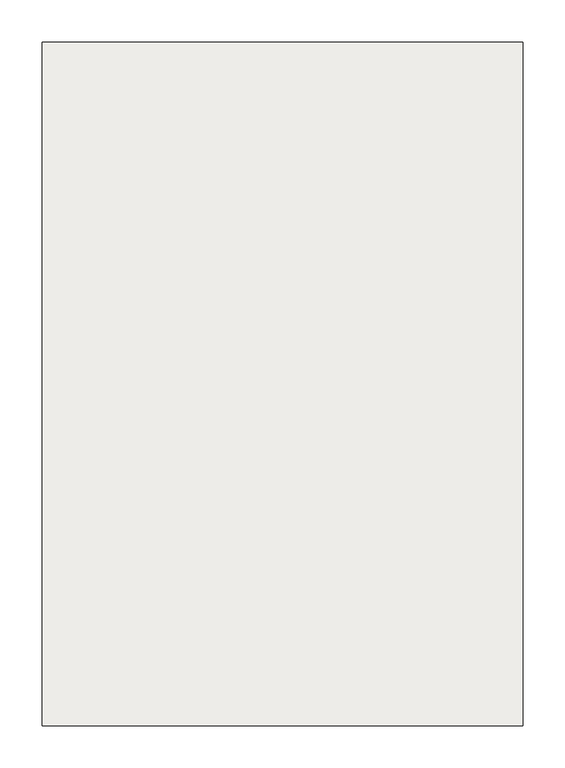
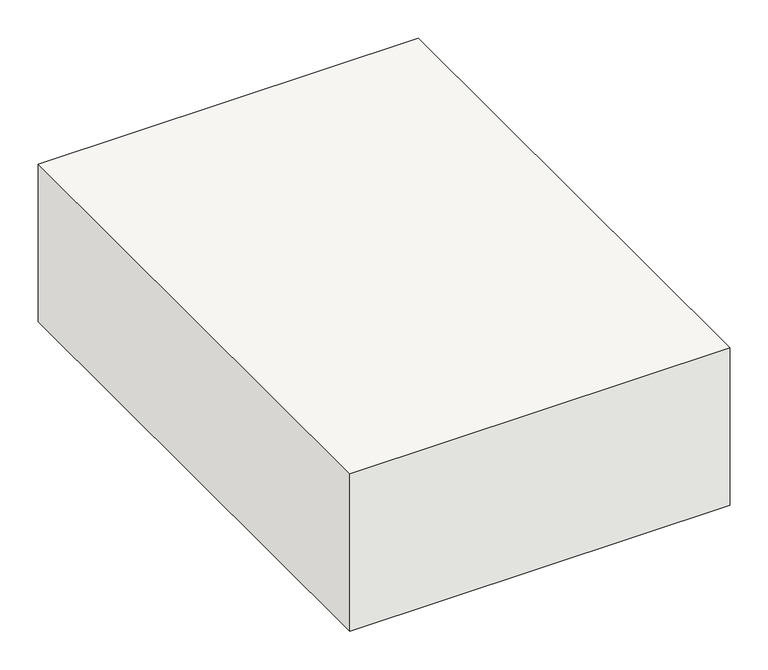
"""IFC4 building model written with IfcOpenShell, lengths in millimetres: slab geometry."""

from ifc_helpers import new_model, si_unit, frame, origin, place, context, project, spatial, polyline, outline, extrude, source, transform, mapped, element, save


def slab_653b4b69(model_context):
    return source(origin(), model_context, "Body", "SweptSolid", [
        extrude(outline(polyline([(5264.1270411, 2519.2068086), (5264.1270411, 3329.2068086), (5834.1270411, 3329.2068086), (5834.1270411, 2519.2068086), (5264.1270411, 2519.2068086)])), frame((0.0, 0.0, -250.0), z_axis=(0.0, 0.0, 1.0), x_axis=(1.0, 0.0, 0.0)), (0.0, 0.0, 1.0), 250.0),
    ])


if __name__ == "__main__":
    model = new_model("IFC4")
    model_context = context("Model", 3, world=origin())
    ifc_project = project(units=[si_unit("LENGTHUNIT", "METRE", prefix="MILLI")], contexts=[model_context])
    site = spatial("IfcSite", under=ifc_project)
    building = spatial("IfcBuilding", under=site)
    placement = place(None, origin())
    slab_shape = slab_653b4b69(model_context)
    element("IfcSlab", 1, at=placement, inside=building, context=model_context, shape_type="MappedRepresentation", body=[
        mapped(slab_shape, transform((0.0, 0.0, 0.0), x_axis=(1.0, 0.0, 0.0), y_axis=(0.0, 1.0, 0.0), z_axis=(0.0, 0.0, 1.0))),
    ])
    save(model, "model.ifc")
